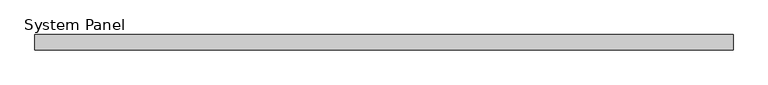
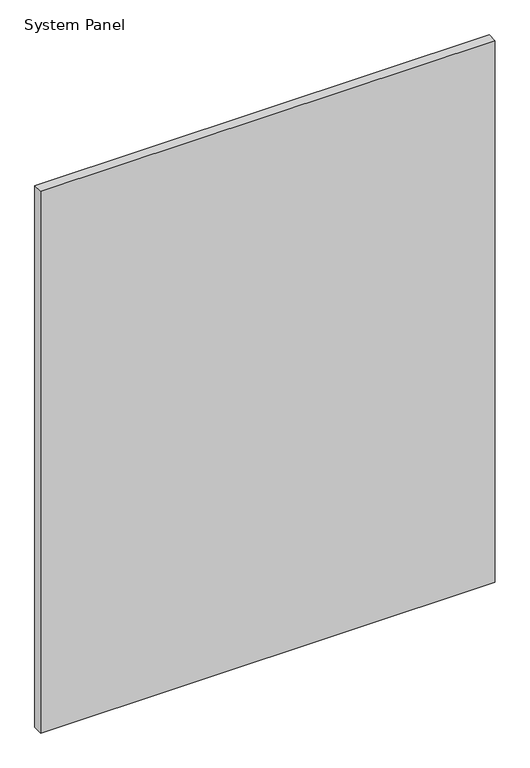
"""IFC4 building model written with IfcOpenShell, lengths in millimetres: plate geometry, System Panel."""

from ifc_helpers import new_model, si_unit, origin, origin_with_axes, place, context, project, spatial, polyline, outline, extrude, source, transform, mapped, element, save


def system_panel_2cc7aeed(model_context):
    return source(origin(), model_context, "Body", "SweptSolid", [
        extrude(outline(polyline([(587.1609513, -22.225), (-587.1609513, -22.225), (-587.1609513, 3.175), (587.1609513, 3.175), (587.1609513, -22.225)])), origin_with_axes(), (0.0, 0.0, 1.0), 1479.5205481),
    ])


if __name__ == "__main__":
    model = new_model("IFC4")
    model_context = context("Model", 3, world=origin())
    ifc_project = project(units=[si_unit("LENGTHUNIT", "METRE", prefix="MILLI")], contexts=[model_context])
    site = spatial("IfcSite", under=ifc_project)
    building = spatial("IfcBuilding", under=site)
    placement = place(None, origin())
    system_panel_shape = system_panel_2cc7aeed(model_context)
    element("IfcPlate", 1, ObjectType="System Panel", at=placement, inside=building, context=model_context, shape_type="MappedRepresentation", body=[
        mapped(system_panel_shape, transform((0.0, 0.0, 0.0), x_axis=(1.0, 0.0, 0.0), y_axis=(0.0, 1.0, 0.0), z_axis=(0.0, 0.0, 1.0))),
    ])
    save(model, "model.ifc")
